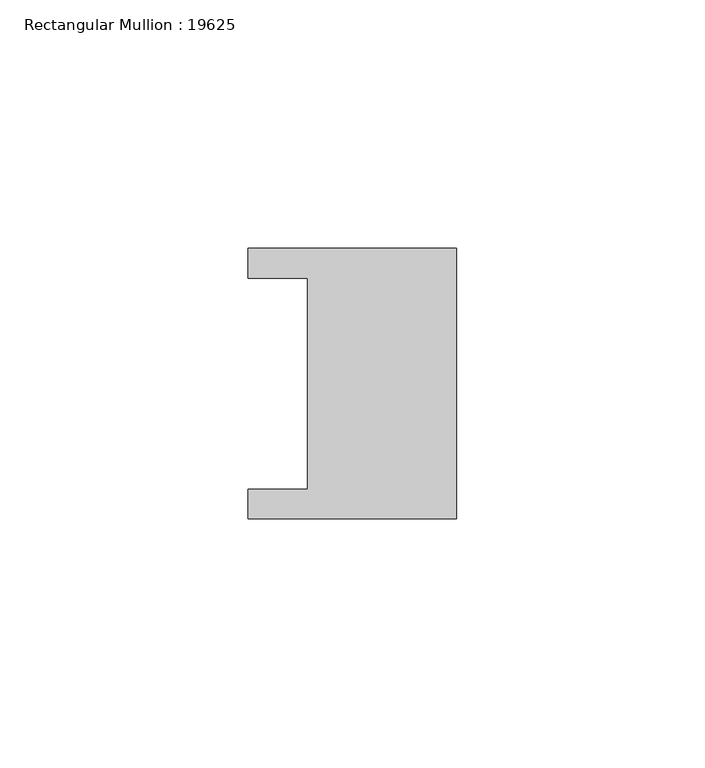
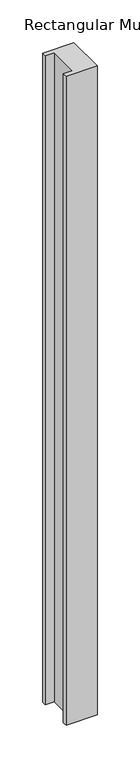
"""IFC4 building model written with IfcOpenShell, lengths in millimetres: member geometry, Rectangular Mullion : 19625."""

from ifc_helpers import new_model, si_unit, frame, origin, place, context, project, spatial, polyline, outline, extrude, source, transform, mapped, element, save


def rectangular_mullion_19625_b84925a4(model_context):
    return source(origin(), model_context, "Body", "SweptSolid", [
        extrude(outline(polyline([(0.0, 27.25), (0.0, -27.25), (-42.0, -27.25), (-42.0, -21.25), (-30.0, -21.25), (-30.0, 21.25), (-42.0, 21.25), (-42.0, 27.25), (0.0, 27.25)])), frame((0.0, 0.0, -927.25), z_axis=(0.0, 0.0, 1.0), x_axis=(1.0, 0.0, 0.0)), (0.0, 0.0, 1.0), 927.25),
    ])


if __name__ == "__main__":
    model = new_model("IFC4")
    model_context = context("Model", 3, world=origin())
    ifc_project = project(units=[si_unit("LENGTHUNIT", "METRE", prefix="MILLI")], contexts=[model_context])
    site = spatial("IfcSite", under=ifc_project)
    building = spatial("IfcBuilding", under=site)
    placement = place(None, origin())
    rectangular_mullion_19625_shape = rectangular_mullion_19625_b84925a4(model_context)
    element("IfcMember", 1, ObjectType="Rectangular Mullion : 19625", at=placement, inside=building, context=model_context, shape_type="MappedRepresentation", body=[
        mapped(rectangular_mullion_19625_shape, transform((0.0, 0.0, 0.0), x_axis=(1.0, 0.0, 0.0), y_axis=(0.0, 1.0, 0.0), z_axis=(0.0, 0.0, 1.0))),
    ])
    save(model, "model.ifc")
